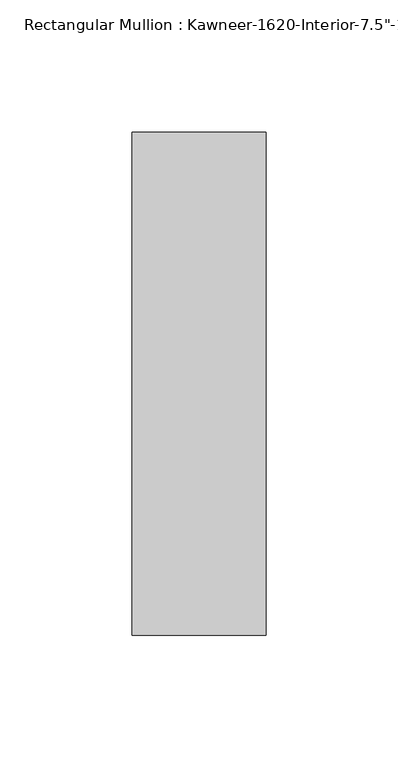
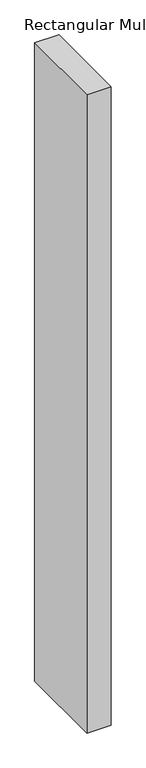
"""IFC4 building model written with IfcOpenShell, lengths in millimetres: member geometry."""

from ifc_helpers import new_model, si_unit, frame, origin, place, context, project, spatial, polyline, outline, extrude, source, transform, mapped, element, save


def member_26f4aefe(model_context):
    return source(origin(), model_context, "Body", "SweptSolid", [
        extrude(outline(polyline([(25.4, -152.4), (-25.4, -152.4), (-25.4, 38.1), (25.4, 38.1), (25.4, -152.4)])), frame((0.0, 0.0, -1422.4), z_axis=(0.0, 0.0, 1.0), x_axis=(1.0, 0.0, 0.0)), (0.0, 0.0, 1.0), 1422.4),
    ])


if __name__ == "__main__":
    model = new_model("IFC4")
    model_context = context("Model", 3, world=origin())
    ifc_project = project(units=[si_unit("LENGTHUNIT", "METRE", prefix="MILLI")], contexts=[model_context])
    site = spatial("IfcSite", under=ifc_project)
    building = spatial("IfcBuilding", under=site)
    placement = place(None, origin())
    member_shape = member_26f4aefe(model_context)
    element("IfcMember", 1, ObjectType="Rectangular Mullion : Kawneer-1620-Interior-7.5\"-1\"Infill", at=placement, inside=building, context=model_context, shape_type="MappedRepresentation", body=[
        mapped(member_shape, transform((0.0, 0.0, 0.0), x_axis=(1.0, 0.0, 0.0), y_axis=(0.0, 1.0, 0.0), z_axis=(0.0, 0.0, 1.0))),
    ])
    save(model, "model.ifc")
